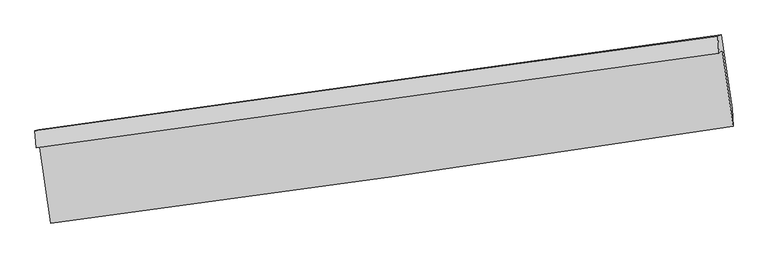
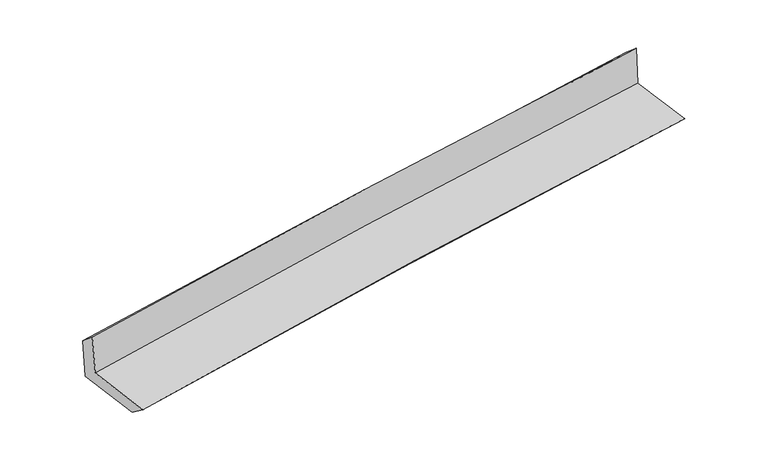
"""IFC4 building model written with IfcOpenShell, lengths in millimetres: proxy geometry."""

from ifc_helpers import new_model, si_unit, frame, origin, place, context, project, spatial, source, transform, mapped, element, save
from ifc_brep_helpers import plane_surface, spline_curve, spline_surface, advanced_brep


def generic_models_14bef5fb(model_context):
    return source(origin(), model_context, "Body", "AdvancedBrep", [
        advanced_brep(
        [(-3007.7739744, -1922.7469283, 1648.9918104), (-2911.5784694, -2585.3804901, 1625.2602388), (3055.4221905, -1737.7401865, 2130.9088482), (2961.7888243, -1075.3609073, 2142.5719363), (-3039.9814486, -1927.4290723, 2042.8956552), (2932.0832581, -1101.3439247, 2542.5894419), (-3050.8397803, -1778.6484565, 1919.5273086), (2921.9126696, -950.1274095, 2410.8115654), (-3019.1723721, -1770.1744292, 1525.6345602), (2953.6849666, -940.2374405, 2013.0083001), (-2924.4703367, -2422.5203677, 1502.2714298), (3046.2528633, -1588.0584267, 1989.6938066)],
        [
            (0, 1),
            (1, 2, spline_curve(3, [(-2911.5784694, -2585.3804901, 1625.2602388), (-1918.069141618, -2455.378583353, 1739.539372888), (-924.088712795, -2319.744659931, 1838.81500015), (1064.911415455, -2037.198991751, 2007.367465621), (2059.93120643, -1890.286147018, 2076.641375097), (3055.4221905, -1737.7401865, 2130.9088482)], [4, 2, 4], [0.0, 9.923274172036558, 19.847516951337514])),
            (2, 3),
            (3, 0, spline_curve(3, [(2961.7888243, -1075.3609073, 2142.5719363), (1965.316018351, -1220.512449824, 2084.882026875), (969.591807735, -1363.707073195, 2014.902787694), (-1020.262312197, -1646.168698388, 1850.373680528), (-2014.392368088, -1785.436081593, 1755.826210806), (-3007.7739744, -1922.7469283, 1648.9918104)], [4, 2, 4], [0.0, 9.924242779300956, 19.847516951337514])),
            (4, 0),
            (3, 5),
            (5, 4, spline_curve(3, [(2932.0832581, -1101.3439247, 2542.5894419), (1935.090505161, -1241.515414372, 2482.796009171), (938.897821309, -1380.444886801, 2411.255538523), (-1051.790258273, -1655.806360487, 2244.688650148), (-2046.285809974, -1792.238603363, 2149.664525332), (-3039.9814486, -1927.4290723, 2042.8956552)], [4, 2, 4], [0.0, 9.925164076666073, 19.84935945614902])),
            (6, 4),
            (5, 7),
            (7, 6, spline_curve(3, [(2921.9126696, -950.1274095, 2410.8115654), (1926.36282277, -1088.289612789, 2329.725130184), (930.834239023, -1226.417502765, 2248.239540391), (-1060.083239991, -1502.591178486, 2084.47804377), (-2055.472139665, -1640.636970754, 2002.202214684), (-3050.8397803, -1778.6484565, 1919.5273086)], [4, 2, 4], [0.0, 9.924814547736856, 19.84866043240465])),
            (8, 6),
            (7, 9),
            (9, 8, spline_curve(3, [(2953.6849666, -940.2374405, 2013.0083001), (1957.893318904, -1078.245370071, 1934.593239982), (962.235099001, -1216.414133784, 1854.769180857), (-1028.717320864, -1493.059827831, 1692.310992299), (-2024.011547422, -1631.536727214, 1609.67713838), (-3019.1723721, -1770.1744292, 1525.6345602)], [4, 2, 4], [0.0, 9.924888271665267, 19.848807873066008])),
            (10, 8),
            (9, 11),
            (11, 10, spline_curve(3, [(3046.2528633, -1588.0584267, 1989.6938066), (2050.532695009, -1725.049097127, 1911.332005015), (1055.08807522, -1863.086372403, 1831.530520192), (-935.152937601, -2141.240556994, 1669.056113555), (-1929.949384801, -2281.357262241, 1586.383472683), (-2924.4703367, -2422.5203677, 1502.2714298)], [4, 2, 4], [0.0, 9.923666217563087, 19.84636388413427])),
            (1, 10),
            (11, 2),
        ],
        [
            spline_surface(3, 3, [[(-3007.7739744, -1922.7469283, 1648.9918104), (-2014.392368074, -1785.436081729, 1755.826210741), (-1020.262312282, -1646.168698304, 1850.373680418), (969.591807819, -1363.70707328, 2014.902787804), (1965.316018287, -1220.512449697, 2084.882026782), (2961.7888243, -1075.3609073, 2142.5719363)], [(-2975.708806065, -2143.62478226, 1641.081286548), (-1982.284625899, -2008.750248941, 1750.397264838), (-988.204445723, -1870.694018873, 1846.520786975), (1001.365010341, -1588.204379405, 2012.39101375), (1996.85441434, -1443.770348835, 2082.135142875), (2992.999946378, -1296.154000368, 2138.684240265)], [(-2943.643637735, -2364.50263614, 1633.170762652), (-1950.176883728, -2232.064416074, 1744.968318891), (-956.146579224, -2095.219339449, 1842.667893551), (1033.138212804, -1812.701685538, 2009.879239717), (2028.392810358, -1667.028247968, 2079.388258972), (3024.211068422, -1516.947093432, 2134.796544235)], [(-2911.5784694, -2585.3804901, 1625.2602388), (-1918.069141553, -2455.378583286, 1739.539372988), (-924.088712665, -2319.744660019, 1838.815000107), (1064.911415326, -2037.198991663, 2007.367465664), (2059.931206411, -1890.286147106, 2076.641375065), (3055.4221905, -1737.7401865, 2130.9088482)]], [4, 4], [4, 2, 4], [0.0, 2.232192686152964], [0.0, 9.923274172036558, 19.847516951337514]),
            spline_surface(3, 3, [[(-3039.9814486, -1927.4290723, 2042.8956552), (-2046.285809815, -1792.238603528, 2149.664525169), (-1051.790258192, -1655.806360371, 2244.688650091), (938.897821229, -1380.444886917, 2411.25553858), (1935.090505132, -1241.515414242, 2482.796009206), (2932.0832581, -1101.3439247, 2542.5894419)], [(-3029.245623857, -1925.868357611, 1911.594373595), (-2035.654662558, -1789.971096239, 2018.385087022), (-1041.280942896, -1652.59380636, 2113.250326868), (949.129150084, -1374.865615716, 2279.137954989), (1945.165676161, -1234.51442606, 2350.15801504), (2941.985113477, -1092.682918899, 2409.250273342)], [(-3018.509799143, -1924.307642989, 1780.293092005), (-2025.023515331, -1787.703589018, 1887.105648888), (-1030.771627578, -1649.381252314, 1981.812003642), (959.360478963, -1369.286344481, 2147.020371395), (1955.240847259, -1227.51343788, 2217.520020948), (2951.886968923, -1084.021913101, 2275.911104858)], [(-3007.7739744, -1922.7469283, 1648.9918104), (-2014.392368074, -1785.436081729, 1755.826210741), (-1020.262312282, -1646.168698304, 1850.373680418), (969.591807819, -1363.70707328, 2014.902787804), (1965.316018287, -1220.512449697, 2084.882026782), (2961.7888243, -1075.3609073, 2142.5719363)]], [4, 4], [4, 2, 4], [0.0, 1.3017567141631585], [0.0, 9.924195379482947, 19.84935945614902]),
            spline_surface(3, 3, [[(-3050.8397803, -1778.6484565, 1919.5273086), (-2055.472139725, -1640.636970759, 2002.202214528), (-1060.083240051, -1502.591178436, 2084.478043665), (930.834239083, -1226.417502815, 2248.239540496), (1926.362822741, -1088.289612775, 2329.725130319), (2921.9126696, -950.1274095, 2410.8115654)], [(-3047.220336414, -1828.241995121, 1960.650090805), (-2052.410029769, -1691.17084837, 2051.35631808), (-1057.31891277, -1553.662905752, 2137.881579119), (933.522099792, -1277.759964187, 2302.578206503), (1929.272050227, -1139.36487992, 2380.748756642), (2925.302865789, -1000.532914555, 2454.73752426)], [(-3043.600892486, -1877.835533679, 2001.772872995), (-2049.34791977, -1741.704725917, 2100.510421617), (-1054.554585473, -1604.734633054, 2191.285114637), (936.209960519, -1329.102425545, 2356.916872573), (1932.181277647, -1190.440147098, 2431.772382883), (2928.693061911, -1050.938419645, 2498.66348304)], [(-3039.9814486, -1927.4290723, 2042.8956552), (-2046.285809815, -1792.238603528, 2149.664525169), (-1051.790258192, -1655.806360371, 2244.688650091), (938.897821229, -1380.444886917, 2411.25553858), (1935.090505132, -1241.515414242, 2482.796009206), (2932.0832581, -1101.3439247, 2542.5894419)]], [4, 4], [4, 2, 4], [0.0, 0.7320413197249742], [0.0, 9.923845884667793, 19.84866043240465]),
            spline_surface(3, 3, [[(-3019.1723721, -1770.1744292, 1525.6345602), (-2024.011547524, -1631.536727273, 1609.677138363), (-1028.717321029, -1493.059827951, 1692.310992417), (962.235099166, -1216.414133664, 1854.769180739), (1957.893318894, -1078.245370073, 1934.593239989), (2953.6849666, -940.2374405, 2013.0083001)], [(-3029.728174837, -1772.999104966, 1656.932143004), (-2034.498411594, -1634.570141768, 1740.518830423), (-1039.172627379, -1496.236944779, 1823.033342846), (951.768145795, -1219.748590048, 1985.925967338), (1947.383153485, -1081.593450982, 2066.303870092), (2943.094200909, -943.534096841, 2145.609388527)], [(-3040.283977563, -1775.823780734, 1788.229725796), (-2044.985275655, -1637.603556264, 1871.360522469), (-1049.627933701, -1499.414061607, 1953.755693236), (941.301192453, -1223.083046431, 2117.082753897), (1936.87298815, -1084.941531866, 2198.014500216), (2932.503435291, -946.830753159, 2278.210476973)], [(-3050.8397803, -1778.6484565, 1919.5273086), (-2055.472139725, -1640.636970759, 2002.202214528), (-1060.083240051, -1502.591178436, 2084.478043665), (930.834239083, -1226.417502815, 2248.239540496), (1926.362822741, -1088.289612775, 2329.725130319), (2921.9126696, -950.1274095, 2410.8115654)]], [4, 4], [4, 2, 4], [0.0, 1.2932790569171013], [0.0, 9.92391960140074, 19.848807873066008]),
            spline_surface(3, 3, [[(-2924.4703367, -2422.5203677, 1502.2714298), (-1929.949384679, -2281.357262223, 1586.383472779), (-935.15293764, -2141.240557013, 1669.05611357), (1055.088075259, -1863.086372384, 1831.530520177), (2050.532694853, -1725.049097277, 1911.332004997), (3046.2528633, -1588.0584267, 1989.6938066)], [(-2956.037681815, -2205.071721514, 1510.059139937), (-1961.303438942, -2064.75041722, 1594.148027977), (-966.341065429, -1925.180313995, 1676.807739842), (1024.137083235, -1647.52895948, 1839.276740354), (2019.652902873, -1509.44785487, 1919.085750001), (3015.39689774, -1372.118097961, 1997.465304441)], [(-2987.605026985, -1987.623075386, 1517.846850063), (-1992.657493261, -1848.143572276, 1601.912583165), (-997.52919324, -1709.120070969, 1684.559366146), (993.18609119, -1431.971546568, 1847.022960563), (1988.773110873, -1293.84661248, 1926.839494984), (2984.54093216, -1156.177769239, 2005.236802259)], [(-3019.1723721, -1770.1744292, 1525.6345602), (-2024.011547524, -1631.536727273, 1609.677138363), (-1028.717321029, -1493.059827951, 1692.310992417), (962.235099166, -1216.414133664, 1854.769180739), (1957.893318894, -1078.245370073, 1934.593239989), (2953.6849666, -940.2374405, 2013.0083001)]], [4, 4], [4, 2, 4], [0.0, 2.1473572578307727], [0.0, 9.922697666571183, 19.84636388413427]),
            spline_surface(3, 3, [[(-2911.5784694, -2585.3804901, 1625.2602388), (-1918.069141553, -2455.378583286, 1739.539372988), (-924.088712665, -2319.744660019, 1838.815000107), (1064.911415326, -2037.198991663, 2007.367465664), (2059.931206411, -1890.286147106, 2076.641375065), (3055.4221905, -1737.7401865, 2130.9088482)], [(-2915.875758512, -2531.093782629, 1584.263969111), (-1922.029222608, -2397.371476261, 1688.487406229), (-927.776787661, -2260.243292333, 1782.22870462), (1061.636968632, -1979.161451887, 1948.755150527), (2056.798369232, -1835.207130504, 2021.538251707), (3052.365748107, -1687.846266575, 2083.837167665)], [(-2920.173047588, -2476.807075171, 1543.267699489), (-1925.989303625, -2339.364369249, 1637.435439538), (-931.464862644, -2200.741924698, 1725.642409058), (1058.362521952, -1921.123912161, 1890.142835315), (2053.665532031, -1780.128113879, 1966.435128354), (3049.309305693, -1637.952346625, 2036.765487135)], [(-2924.4703367, -2422.5203677, 1502.2714298), (-1929.949384679, -2281.357262223, 1586.383472779), (-935.15293764, -2141.240557013, 1669.05611357), (1055.088075259, -1863.086372384, 1831.530520177), (2050.532694853, -1725.049097277, 1911.332004997), (3046.2528633, -1588.0584267, 1989.6938066)]], [4, 4], [4, 2, 4], [0.0, 0.8106586672611243], [0.0, 9.921588279402192, 19.8441450015094]),
            plane_surface(frame((2978.5241287, -1232.1447158, 2204.9306497), z_axis=(0.9869997651832795, 0.13807295009818582, 0.08226374644602025), x_axis=(-0.07959139883897261, -0.02477493104471519, 0.9965196495918107))),
            plane_surface(frame((-2992.3027303, -2067.816624, 1710.7635005), z_axis=(-0.9866806059468199, -0.1402888543198377, -0.08234330089353849), x_axis=(-0.14357538060381805, 0.9890053162372069, 0.0354202560551324))),
        ],
        [
            (0, [[1, 2, 3, 4]]),
            (1, [[5, -4, 6, 7]]),
            (2, [[8, -7, 9, 10]]),
            (3, [[11, -10, 12, 13]]),
            (4, [[14, -13, 15, 16]]),
            (5, [[17, -16, 18, -2]]),
            (6, [[-12, -9, -6, -3, -18, -15]]),
            (7, [[-1, -5, -8, -11, -14, -17]]),
        ],
    ),
    ])


if __name__ == "__main__":
    model = new_model("IFC4")
    model_context = context("Model", 3, world=origin())
    ifc_project = project(units=[si_unit("LENGTHUNIT", "METRE", prefix="MILLI")], contexts=[model_context])
    site = spatial("IfcSite", under=ifc_project)
    building = spatial("IfcBuilding", under=site)
    placement = place(None, origin())
    generic_models_shape = generic_models_14bef5fb(model_context)
    element("IfcBuildingElementProxy", 1, Name="Generic Models", at=placement, inside=building, context=model_context, shape_type="MappedRepresentation", body=[
        mapped(generic_models_shape, transform((0.0, 0.0, 0.0), x_axis=(1.0, 0.0, 0.0), y_axis=(0.0, 1.0, 0.0), z_axis=(0.0, 0.0, 1.0))),
    ])
    save(model, "model.ifc")
